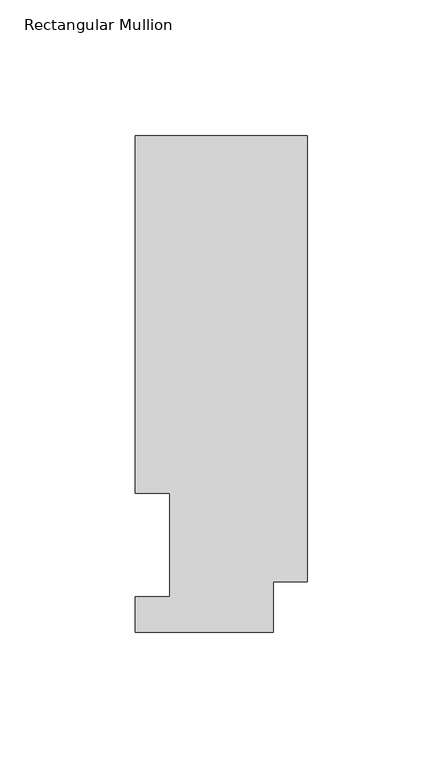
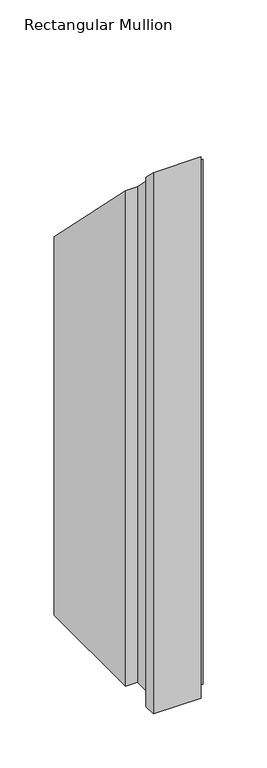
"""IFC4 building model written with IfcOpenShell, lengths in millimetres: member geometry, Rectangular Mullion."""

from ifc_helpers import new_model, si_unit, origin, place, context, project, spatial, faceted_brep, source, transform, mapped, element, save


def rectangular_mullion_278773e9(model_context):
    return source(origin(), model_context, "Body", "Brep", [
        faceted_brep([(0.0, 183.4446737, -609.6), (0.0, 18.7332937, -609.6), (-12.7, 18.7332937, -609.6), (-12.7, 0.0134937, -609.6), (-63.5, 0.0134937, -609.6), (-63.5, 13.1960937, -609.6), (-50.8, 13.1960937, -609.6), (-50.8, 51.2960937, -609.6), (-63.5, 51.2960938, -609.6), (-63.5, 183.4446737, -609.6), (-63.5, 183.4446737, -183.4446737), (0.0, 183.4446737, -183.4446737), (-50.8, 51.2960937, -51.2960937), (-63.5, 51.2960938, -51.2960937), (-50.8, 13.1960937, -13.1960937), (-63.5, 13.1960937, -13.1960937), (-63.5, 0.0134937, -0.0134937), (-12.7, 18.7332937, -18.7332937), (-12.7, 0.0134937, -0.0134937), (0.0, 18.7332937, -18.7332937)], [[[0, 1, 2, 3, 4, 5, 6, 7, 8, 9]], [[10, 11, 0, 9]], [[12, 13, 8, 7]], [[14, 12, 7, 6]], [[15, 14, 6, 5]], [[16, 15, 5, 4]], [[17, 18, 3, 2]], [[18, 16, 4, 3]], [[19, 17, 2, 1]], [[11, 19, 1, 0]], [[11, 10, 13, 12, 14, 15, 16, 18, 17, 19]], [[13, 10, 9, 8]]]),
    ])


if __name__ == "__main__":
    model = new_model("IFC4")
    model_context = context("Model", 3, world=origin())
    ifc_project = project(units=[si_unit("LENGTHUNIT", "METRE", prefix="MILLI")], contexts=[model_context])
    site = spatial("IfcSite", under=ifc_project)
    building = spatial("IfcBuilding", under=site)
    placement = place(None, origin())
    rectangular_mullion_shape = rectangular_mullion_278773e9(model_context)
    element("IfcMember", 1, ObjectType="Rectangular Mullion", at=placement, inside=building, context=model_context, shape_type="MappedRepresentation", body=[
        mapped(rectangular_mullion_shape, transform((0.0, 0.0, 0.0), x_axis=(1.0, 0.0, 0.0), y_axis=(0.0, 1.0, 0.0), z_axis=(0.0, 0.0, 1.0))),
    ])
    save(model, "model.ifc")
